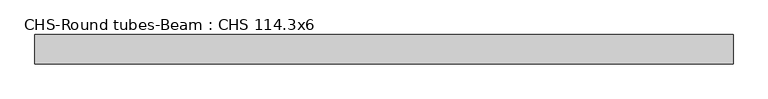
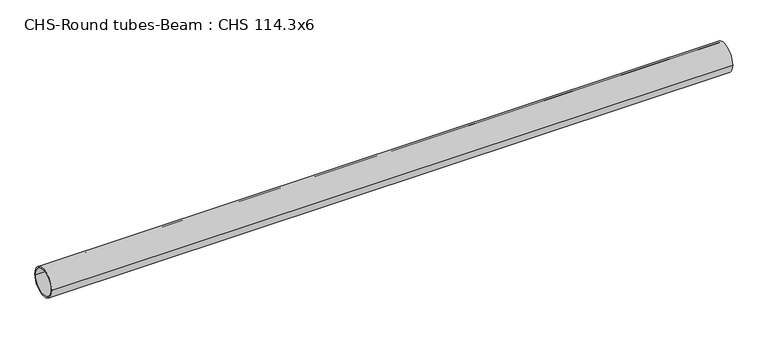
"""IFC4 building model written with IfcOpenShell, lengths in millimetres: beam geometry, CHS-Round tubes-Beam : CHS 114.3x6."""

from ifc_helpers import new_model, si_unit, point, frame, origin, origin_2d, place, context, project, spatial, circle_curve, trimmed, segment, composite_curve, outline, extrude, source, transform, mapped, element, save


def chs_round_tubes_beam_chs_114_3x6_1fa311ae(model_context):
    return source(origin(), model_context, "Body", "SweptSolid", [
        extrude(outline(composite_curve([segment(trimmed(circle_curve(origin_2d(), 57.15), [point((57.15, 0.0))], [point((-57.15, 0.0))], False, "CARTESIAN"), True, "CONTINUOUS"), segment(trimmed(circle_curve(origin_2d(), 57.15), [point((-57.15, 0.0))], [point((57.15, 0.0))], False, "CARTESIAN"), True, "CONTINUOUS")], self_intersect=False), holes=[composite_curve([segment(trimmed(circle_curve(origin_2d(), 51.15), [point((51.15, 0.0))], [point((-51.15, 0.0))], True, "CARTESIAN"), True, "CONTINUOUS"), segment(trimmed(circle_curve(origin_2d(), 51.15), [point((-51.15, 0.0))], [point((51.15, 0.0))], True, "CARTESIAN"), True, "CONTINUOUS")], self_intersect=False)]), frame((-1333.0074545, 0.0, 0.0), z_axis=(1.0, 0.0, 0.0), x_axis=(0.0, 1.0, 0.0)), (0.0, 0.0, 1.0), 2701.4127204),
    ])


if __name__ == "__main__":
    model = new_model("IFC4")
    model_context = context("Model", 3, world=origin())
    ifc_project = project(units=[si_unit("LENGTHUNIT", "METRE", prefix="MILLI")], contexts=[model_context])
    site = spatial("IfcSite", under=ifc_project)
    building = spatial("IfcBuilding", under=site)
    placement = place(None, origin())
    chs_round_tubes_beam_chs_114_3x6_shape = chs_round_tubes_beam_chs_114_3x6_1fa311ae(model_context)
    element("IfcBeam", 1, ObjectType="CHS-Round tubes-Beam : CHS 114.3x6", at=placement, inside=building, context=model_context, shape_type="MappedRepresentation", body=[
        mapped(chs_round_tubes_beam_chs_114_3x6_shape, transform((0.0, 0.0, 0.0), x_axis=(1.0, 0.0, 0.0), y_axis=(0.0, 1.0, 0.0), z_axis=(0.0, 0.0, 1.0))),
    ])
    save(model, "model.ifc")
